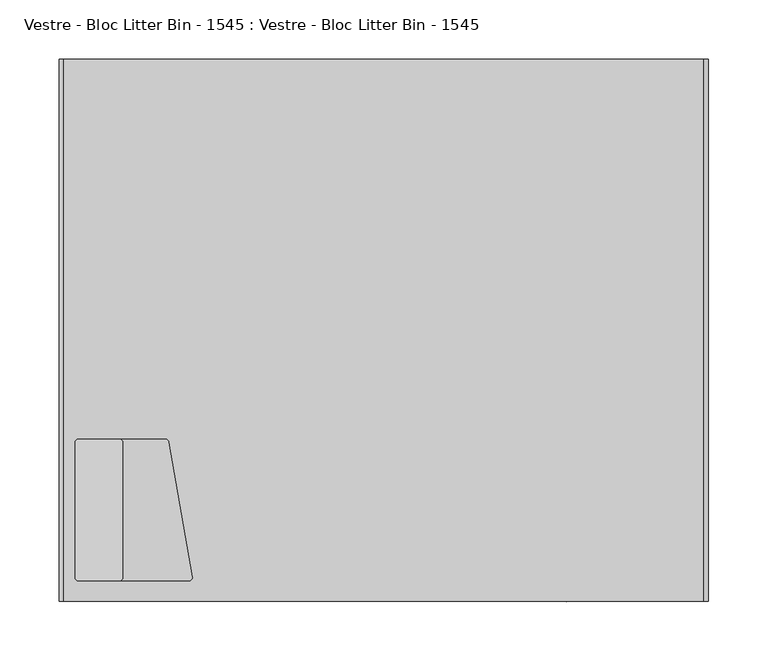
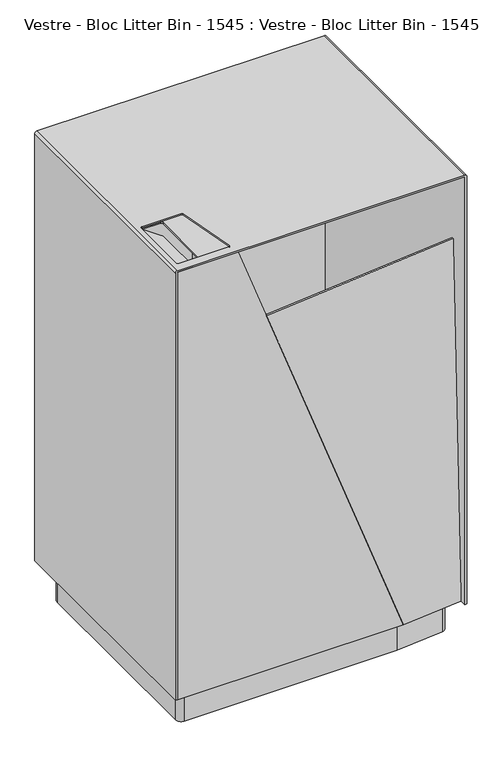
"""IFC4 building model written with IfcOpenShell, lengths in millimetres: furniture geometry, Vestre - Bloc Litter Bin - 1545 : Vestre - Bloc Litter Bin - 1545."""

from ifc_helpers import new_model, si_unit, point, frame, frame_2d, origin, origin_with_axes, place, context, project, spatial, polyline, circle_curve, trimmed, segment, composite_curve, outline, extrude, source, transform, mapped, element, save
from ifc_brep_helpers import plane_surface, cylinder_surface, revolved_surface, advanced_brep


def vestre_bloc_litter_bin_1545_vestre_bloc_litter_bin_1545_e8eb98d0(model_context):
    return source(origin(), model_context, "Body", "SolidModel", [
        extrude(outline(polyline([(-270.5, 292.290936), (-154.897871, 303.7084582), (271.5, 303.7084582), (271.5, -137.6577879), (154.897871, -149.1740758), (-270.5, -149.1740758), (-270.5, 292.290936)])), frame((0.0, 0.0, 65.0), z_axis=(0.0, 0.0, 1.0), x_axis=(1.0, 0.0, 0.0)), (0.0, 0.0, 1.0), 9.9592479),
        extrude(outline(composite_curve([segment(trimmed(circle_curve(frame_2d((114.0058046, -2.9581604)), 2.9581605), [point((114.0058046, 0.0))], [point((116.9639651, -2.9581604))], False, "CARTESIAN"), True, "CONTINUOUS"), segment(polyline([(116.9639651, -2.9581604), (116.9639651, -51.8649154), (-3.0360349, -51.8649154), (-3.0360349, -3.0372074)]), True, "CONTINUOUS"), segment(trimmed(circle_curve(frame_2d((0.0011726, -3.0372074)), 3.0372075), [point((-3.0360349, -3.0372074))], [point((0.0011726, 0.0))], False, "CARTESIAN"), True, "CONTINUOUS"), segment(polyline([(0.0011726, 0.0), (114.0058046, 0.0)]), True, "CONTINUOUS")], self_intersect=False)), frame((-219.7614191, -18.0360349, 885.2035483), z_axis=(0.5735764363510215, 0.0, 0.8191520442890091), x_axis=(0.0, -1.0, 0.0)), (0.0, 0.0, 1.0), 2.1735038),
        extrude(outline(polyline([(-264.4052107, -9.0), (-159.2634, -9.0), (-159.2634, -145.0), (-264.4052107, -145.0), (-264.4052107, -9.0)]), holes=[composite_curve([segment(polyline([(-220.5142172, -132.0045908), (-220.5142172, -18.0360349)]), True, "CONTINUOUS"), segment(trimmed(circle_curve(frame_2d((-223.5502521, -18.0360349)), 3.0360349), [point((-220.5142172, -18.0360349))], [point((-223.5502521, -15.0))], True, "CARTESIAN"), True, "CONTINUOUS"), segment(polyline([(-223.5502521, -15.0), (-257.9988658, -15.0)]), True, "CONTINUOUS"), segment(trimmed(circle_curve(frame_2d((-257.9988658, -18.0011342)), 3.0011342), [point((-257.9988658, -15.0))], [point((-261.0, -18.0011342))], True, "CARTESIAN"), True, "CONTINUOUS"), segment(polyline([(-261.0, -18.0011342), (-261.0, -131.9987029)]), True, "CONTINUOUS"), segment(trimmed(circle_curve(frame_2d((-257.9987029, -131.9987029)), 3.0012971), [point((-261.0, -131.9987029))], [point((-257.9987029, -135.0))], True, "CARTESIAN"), True, "CONTINUOUS"), segment(polyline([(-257.9987029, -135.0), (-223.5096264, -135.0)]), True, "CONTINUOUS"), segment(trimmed(circle_curve(frame_2d((-223.5096264, -132.0045908)), 2.9954092), [point((-223.5096264, -135.0))], [point((-220.5142172, -132.0045908))], True, "CARTESIAN"), True, "CONTINUOUS")], self_intersect=False)]), frame((0.0, 0.0, 914.8264962), z_axis=(0.0, 0.0, 1.0), x_axis=(1.0, 0.0, 0.0)), (0.0, 0.0, 1.0), 2.1735038),
        advanced_brep(
        [(-161.2634, -147.0, 782.7332002), (-157.2634, -147.0, 786.7332002), (-157.2634, -147.0, 917.0), (-266.4052107, -147.0, 917.0), (-266.4052107, -147.0, 782.7332002), (-161.2634, -7.0, 782.7332002), (-266.4052107, -7.0, 782.7332002), (-266.4052107, -7.0, 917.0), (-157.2634, -7.0, 917.0), (-157.2634, -7.0, 786.7332002), (-264.4052107, -145.0, 917.0), (-264.4052107, -9.0, 917.0), (-159.2634, -9.0, 917.0), (-159.2634, -145.0, 917.0), (-264.4052107, -9.0, 784.7332002), (-264.4052107, -145.0, 784.7332002), (-159.2634, -145.0, 784.7332002), (-159.2634, -9.0, 784.7332002)],
        [
            (0, 1, circle_curve(frame((-161.2634, -147.0, 786.7332002), z_axis=(0.0, -1.0, 0.0), x_axis=(1.0, 0.0, 0.0)), 4.0)),
            (1, 2),
            (2, 3),
            (3, 4),
            (4, 0),
            (5, 6),
            (6, 7),
            (7, 8),
            (8, 9),
            (9, 5, circle_curve(frame((-161.2634, -7.0, 786.7332002), z_axis=(0.0, 1.0, 0.0), x_axis=(1.0, 0.0, 0.0)), 4.0)),
            (0, 5),
            (9, 1),
            (8, 2),
            (7, 3),
            (10, 11),
            (11, 12),
            (12, 13),
            (13, 10),
            (6, 4),
            (14, 15),
            (15, 16),
            (16, 17),
            (17, 14),
            (14, 11),
            (10, 15),
            (13, 16),
            (12, 17),
        ],
        [
            plane_surface(frame((-157.2634, -147.0, 786.7332002), z_axis=(0.0, -1.0, 0.0), x_axis=(0.0, 0.0, 1.0))),
            plane_surface(frame((-157.2634, -7.0, 786.7332002), z_axis=(0.0, 1.0, 0.0), x_axis=(0.0, 0.0, -1.0))),
            cylinder_surface(frame((-161.2634, -7.0, 786.7332002), z_axis=(0.0, -1.0, 0.0), x_axis=(1.0, 0.0, 0.0)), 4.0),
            plane_surface(frame((-157.2634, -147.0, 786.7332002), z_axis=(1.0, 0.0, 0.0), x_axis=(0.0, 1.0, 0.0))),
            plane_surface(frame((-157.2634, -147.0, 917.0), z_axis=(0.0, 0.0, 1.0), x_axis=(0.0, 1.0, 0.0))),
            plane_surface(frame((-266.4052107, -147.0, 917.0), z_axis=(-1.0, 0.0, 0.0), x_axis=(0.0, 1.0, 0.0))),
            plane_surface(frame((-266.4052107, -147.0, 782.7332002), z_axis=(0.0, 0.0, -1.0), x_axis=(0.0, 1.0, 0.0))),
            plane_surface(frame((-264.4052107, -9.0, 784.7332002), z_axis=(0.0, 0.0, 1.0), x_axis=(0.0, 1.0, 0.0))),
            plane_surface(frame((-264.4052107, -9.0, 917.0), z_axis=(1.0, 0.0, 0.0), x_axis=(0.0, 0.0, -1.0))),
            plane_surface(frame((-264.4052107, -145.0, 917.0), z_axis=(0.0, 1.0, 0.0), x_axis=(0.0, 0.0, -1.0))),
            plane_surface(frame((-159.2634, -145.0, 917.0), z_axis=(-1.0, 0.0, 0.0), x_axis=(0.0, 0.0, -1.0))),
            plane_surface(frame((-159.2634, -9.0, 917.0), z_axis=(0.0, -1.0, 0.0), x_axis=(0.0, 0.0, -1.0))),
        ],
        [
            (0, [[1, 2, 3, 4, 5]]),
            (1, [[6, 7, 8, 9, 10]]),
            (2, [[-1, 11, -10, 12]]),
            (3, [[-2, -12, -9, 13]]),
            (4, [[-3, -13, -8, 14], [15, 16, 17, 18]]),
            (5, [[-4, -14, -7, 19]]),
            (6, [[-5, -19, -6, -11]]),
            (7, [[20, 21, 22, 23]]),
            (8, [[-20, 24, -15, 25]]),
            (9, [[-21, -25, -18, 26]]),
            (10, [[-22, -26, -17, 27]]),
            (11, [[-23, -27, -16, -24]]),
        ],
    ),
        advanced_brep(
        [(-270.5, -152.25, 65.0), (-270.5, -152.25, 917.0), (271.5, -152.25, 917.0), (271.5, -152.25, 65.0), (275.5, -152.25, 65.0), (275.5, -152.25, 916.0), (271.5, -152.25, 920.0), (-270.4822768, -152.25, 920.0), (-274.5, -152.25, 915.9822768), (-274.5, -152.25, 65.0), (-270.5, 306.7084582, 65.0), (-274.5, 306.7084582, 65.0), (-274.5, 306.7084582, 915.9822768), (-270.4822768, 306.7084582, 920.0), (271.5, 306.7084582, 920.0), (275.5, 306.7084582, 916.0), (275.5, 306.7084582, 65.0), (271.5, 306.7084582, 65.0), (271.5, 306.7084582, 917.0), (-270.5, 306.7084582, 917.0), (-161.6195281, -131.4864815, 917.0), (-181.7269288, -17.4517453, 917.0), (-184.6488051, -15.0, 917.0), (-258.0026011, -15.0, 917.0), (-261.0, -17.9973989, 917.0), (-261.0, -131.9593857, 917.0), (-257.9593857, -135.0, 917.0), (-164.5677202, -135.0, 917.0), (-181.7269288, -17.4517453, 920.0), (-161.6195281, -131.4864815, 920.0), (-164.5677202, -135.0, 920.0), (-257.9593857, -135.0, 920.0), (-261.0, -131.9593857, 920.0), (-261.0, -17.9973989, 920.0), (-258.0026011, -15.0, 920.0), (-184.6488051, -15.0, 920.0)],
        [
            (0, 1),
            (1, 2),
            (2, 3),
            (3, 4),
            (4, 5),
            (5, 6, circle_curve(frame((271.5, -152.25, 916.0), z_axis=(0.0, -1.0, 0.0), x_axis=(1.0, 0.0, 0.0)), 4.0)),
            (6, 7),
            (7, 8, circle_curve(frame((-270.4822768, -152.25, 915.9822768), z_axis=(0.0, -1.0, 0.0), x_axis=(1.0, 0.0, 0.0)), 4.0177232)),
            (8, 9),
            (9, 0),
            (10, 11),
            (11, 12),
            (12, 13, circle_curve(frame((-270.4822768, 306.7084582, 915.9822768), z_axis=(0.0, 1.0, 0.0), x_axis=(1.0, 0.0, 0.0)), 4.0177232)),
            (13, 14),
            (14, 15, circle_curve(frame((271.5, 306.7084582, 916.0), z_axis=(0.0, 1.0, 0.0), x_axis=(1.0, 0.0, 0.0)), 4.0)),
            (15, 16),
            (16, 17),
            (17, 18),
            (18, 19),
            (19, 10),
            (0, 10),
            (19, 1),
            (18, 2),
            (20, 21),
            (21, 22, circle_curve(frame((-184.6488051, -17.9669509, 917.0), z_axis=(0.0, 0.0, 1.0), x_axis=(1.0, 0.0, 0.0)), 2.9669509)),
            (22, 23),
            (23, 24, circle_curve(frame((-258.0026011, -17.9973989, 917.0), z_axis=(0.0, 0.0, 1.0), x_axis=(1.0, 0.0, 0.0)), 2.9973989)),
            (24, 25),
            (25, 26, circle_curve(frame((-257.9593857, -131.9593857, 917.0), z_axis=(0.0, 0.0, 1.0), x_axis=(1.0, 0.0, 0.0)), 3.0406143)),
            (26, 27),
            (27, 20, circle_curve(frame((-164.5677202, -132.0063273, 917.0), z_axis=(0.0, 0.0, 1.0), x_axis=(1.0, 0.0, 0.0)), 2.9936727)),
            (17, 3),
            (16, 4),
            (15, 5),
            (14, 6),
            (13, 7),
            (28, 29),
            (29, 30, circle_curve(frame((-164.5677202, -132.0063273, 920.0), z_axis=(0.0, 0.0, -1.0), x_axis=(1.0, 0.0, 0.0)), 2.9936727)),
            (30, 31),
            (31, 32, circle_curve(frame((-257.9593857, -131.9593857, 920.0), z_axis=(0.0, 0.0, -1.0), x_axis=(1.0, 0.0, 0.0)), 3.0406143)),
            (32, 33),
            (33, 34, circle_curve(frame((-258.0026011, -17.9973989, 920.0), z_axis=(0.0, 0.0, -1.0), x_axis=(1.0, 0.0, 0.0)), 2.9973989)),
            (34, 35),
            (35, 28, circle_curve(frame((-184.6488051, -17.9669509, 920.0), z_axis=(0.0, 0.0, -1.0), x_axis=(1.0, 0.0, 0.0)), 2.9669509)),
            (12, 8),
            (11, 9),
            (20, 29),
            (28, 21),
            (35, 22),
            (34, 23),
            (33, 24),
            (32, 25),
            (31, 26),
            (30, 27),
        ],
        [
            plane_surface(frame((-270.5, -152.25, 65.0), z_axis=(0.0, -1.0, 0.0), x_axis=(0.0, 0.0, 1.0))),
            plane_surface(frame((-270.5, 306.7084582, 65.0), z_axis=(0.0, 1.0, 0.0), x_axis=(0.0, 0.0, -1.0))),
            plane_surface(frame((-270.5, -152.25, 65.0), z_axis=(1.0, 0.0, 0.0), x_axis=(0.0, 1.0, 0.0))),
            plane_surface(frame((-270.5, -152.25, 917.0), z_axis=(0.0, 0.0, -1.0), x_axis=(0.0, 1.0, 0.0))),
            plane_surface(frame((271.5, -152.25, 917.0), z_axis=(-1.0, 0.0, 0.0), x_axis=(0.0, 1.0, 0.0))),
            plane_surface(frame((271.5, -152.25, 65.0), z_axis=(0.0, 0.0, -1.0), x_axis=(0.0, 1.0, 0.0))),
            plane_surface(frame((275.5, -152.25, 65.0), z_axis=(1.0, 0.0, 0.0), x_axis=(0.0, 1.0, 0.0))),
            cylinder_surface(frame((271.5, 306.7084582, 916.0), z_axis=(0.0, -1.0, 0.0), x_axis=(1.0, 0.0, 0.0)), 4.0),
            plane_surface(frame((271.5, -152.25, 920.0), z_axis=(0.0, 0.0, 1.0), x_axis=(0.0, 1.0, 0.0))),
            cylinder_surface(frame((-270.4822768, 306.7084582, 915.9822768), z_axis=(0.0, -1.0, 0.0), x_axis=(1.0, 0.0, 0.0)), 4.0177232),
            plane_surface(frame((-274.5, -152.25, 915.9822768), z_axis=(-1.0, 0.0, 0.0), x_axis=(0.0, 1.0, 0.0))),
            plane_surface(frame((-274.5, -152.25, 65.0), z_axis=(0.0, 0.0, -1.0), x_axis=(0.0, 1.0, 0.0))),
            plane_surface(frame((-161.6195281, -131.4864815, 924.306689), z_axis=(-0.9848077530122034, -0.17364817766695756, 0.0), x_axis=(0.0, 0.0, -1.0))),
            revolved_surface(polyline([(-181.6818542, -17.9669509, 920.0), (-181.6818542, -17.9669509, 917.0)]), (-184.6488051, -17.9669509, 917.0), (0.0, 0.0, 1.0)),
            plane_surface(frame((-184.6488051, -15.0, 924.306689), z_axis=(0.0, -1.0, 0.0), x_axis=(0.0, 0.0, -1.0))),
            revolved_surface(polyline([(-255.00520219999999, -17.9973989, 920.0), (-255.00520219999999, -17.9973989, 917.0)]), (-258.0026011, -17.9973989, 917.0), (0.0, 0.0, 1.0)),
            plane_surface(frame((-261.0, -17.9973989, 924.306689), z_axis=(1.0, 0.0, 0.0), x_axis=(0.0, 0.0, -1.0))),
            revolved_surface(polyline([(-254.9187714, -131.9593857, 920.0), (-254.9187714, -131.9593857, 917.0)]), (-257.9593857, -131.9593857, 917.0), (0.0, 0.0, 1.0)),
            plane_surface(frame((-257.9593857, -135.0, 924.306689), z_axis=(0.0, 1.0, 0.0), x_axis=(0.0, 0.0, -1.0))),
            revolved_surface(polyline([(-161.5740475, -132.0063273, 920.0), (-161.5740475, -132.0063273, 917.0)]), (-164.5677202, -132.0063273, 917.0), (0.0, 0.0, 1.0)),
        ],
        [
            (0, [[1, 2, 3, 4, 5, 6, 7, 8, 9, 10]]),
            (1, [[11, 12, 13, 14, 15, 16, 17, 18, 19, 20]]),
            (2, [[-1, 21, -20, 22]]),
            (3, [[-2, -22, -19, 23], [24, 25, 26, 27, 28, 29, 30, 31]]),
            (4, [[-3, -23, -18, 32]]),
            (5, [[-4, -32, -17, 33]]),
            (6, [[-5, -33, -16, 34]]),
            (7, [[-6, -34, -15, 35]]),
            (8, [[-7, -35, -14, 36], [37, 38, 39, 40, 41, 42, 43, 44]]),
            (9, [[-8, -36, -13, 45]]),
            (10, [[-9, -45, -12, 46]]),
            (11, [[-10, -46, -11, -21]]),
            (12, [[47, -37, 48, -24]]),
            (13, [[-48, -44, 49, -25]]),
            (14, [[-49, -43, 50, -26]]),
            (15, [[-50, -42, 51, -27]]),
            (16, [[-51, -41, 52, -28]]),
            (17, [[-52, -40, 53, -29]]),
            (18, [[-53, -39, 54, -30]]),
            (19, [[-47, -31, -54, -38]]),
        ],
    ),
        extrude(outline(composite_curve([segment(polyline([(-255.5, -119.75), (-255.5, 267.2699185)]), True, "CONTINUOUS"), segment(trimmed(circle_curve(frame_2d((-245.5, 267.2699185)), 10.0), [point((-255.5, 267.2699185))], [point((-246.5452846, 277.2151374))], False, "CARTESIAN"), True, "CONTINUOUS"), segment(polyline([(-246.5452846, 277.2151374), (-155.5, 286.7843825), (246.5, 286.7843825)]), True, "CONTINUOUS"), segment(trimmed(circle_curve(frame_2d((246.5, 276.7843825)), 10.0), [point((246.5, 286.7843825))], [point((256.5, 276.7843825))], False, "CARTESIAN"), True, "CONTINUOUS"), segment(polyline([(256.5, 276.7843825), (256.5, -110.235536)]), True, "CONTINUOUS"), segment(trimmed(circle_curve(frame_2d((246.5, -110.235536)), 10.0), [point((256.5, -110.235536))], [point((247.5452846, -120.180755))], False, "CARTESIAN"), True, "CONTINUOUS"), segment(polyline([(247.5452846, -120.180755), (156.5, -129.75), (-245.5, -129.75)]), True, "CONTINUOUS"), segment(trimmed(circle_curve(frame_2d((-245.5, -119.75)), 10.0), [point((-245.5, -129.75))], [point((-255.5, -119.75))], False, "CARTESIAN"), True, "CONTINUOUS")], self_intersect=False)), origin_with_axes(), (0.0, 0.0, 1.0), 65.0745777),
        extrude(outline(polyline([(64.9997248, 271.5), (917.0, 271.5), (917.0, 155.9), (65.1171498, -155.1991527), (64.9997248, 271.5)])), frame((0.0, 303.7084582, 0.0), z_axis=(0.0, 1.0, 0.0), x_axis=(0.0, 0.0, 1.0)), (0.0, 0.0, 1.0), 3.0),
        extrude(outline(polyline([(752.3104603, 0.0), (623.7538599, -354.611758), (-40.247271, -110.7971063), (-0.0070612, 1e-07), (752.3104603, 0.0)])), frame((-154.8954489, 303.6325347, 65.0066328), z_axis=(-0.09822462559456395, 0.9945218953682895, 0.03575083998835469), x_axis=(0.34302093272528017, 0.0001119598287792826, 0.9393277527983912)), (0.0, 0.0, 1.0), 3.0),
        extrude(outline(polyline([(752.3104603, 0.0), (623.7538599, -354.611758), (-40.247271, -110.7971063), (-0.0070612, 1e-07), (752.3104603, 0.0)])), frame((154.8954489, -149.1740765, 65.0066328), z_axis=(0.09822462559456396, -0.9945218953682895, 0.03575083998835469), x_axis=(-0.34302093272527995, -0.00011195982877926014, 0.9393277527983913)), (0.0, 0.0, 1.0), 3.0),
        extrude(outline(polyline([(65.0, -270.5), (65.1171498, 155.1991527), (917.0, -155.9), (917.0, -270.5), (65.0, -270.5)])), frame((0.0, -152.25, 0.0), z_axis=(0.0, 1.0, 0.0), x_axis=(0.0, 0.0, 1.0)), (0.0, 0.0, 1.0), 3.0),
    ])


if __name__ == "__main__":
    model = new_model("IFC4")
    model_context = context("Model", 3, world=origin())
    ifc_project = project(units=[si_unit("LENGTHUNIT", "METRE", prefix="MILLI")], contexts=[model_context])
    site = spatial("IfcSite", under=ifc_project)
    building = spatial("IfcBuilding", under=site)
    placement = place(None, origin())
    vestre_bloc_litter_bin_1545_vestre_bloc_litter_bin_1545_shape = vestre_bloc_litter_bin_1545_vestre_bloc_litter_bin_1545_e8eb98d0(model_context)
    element("IfcFurniture", 1, ObjectType="Vestre - Bloc Litter Bin - 1545 : Vestre - Bloc Litter Bin - 1545", at=placement, inside=building, context=model_context, shape_type="MappedRepresentation", body=[
        mapped(vestre_bloc_litter_bin_1545_vestre_bloc_litter_bin_1545_shape, transform((0.0, 0.0, 0.0), x_axis=(1.0, 0.0, 0.0), y_axis=(0.0, 1.0, 0.0), z_axis=(0.0, 0.0, 1.0))),
    ])
    save(model, "model.ifc")
